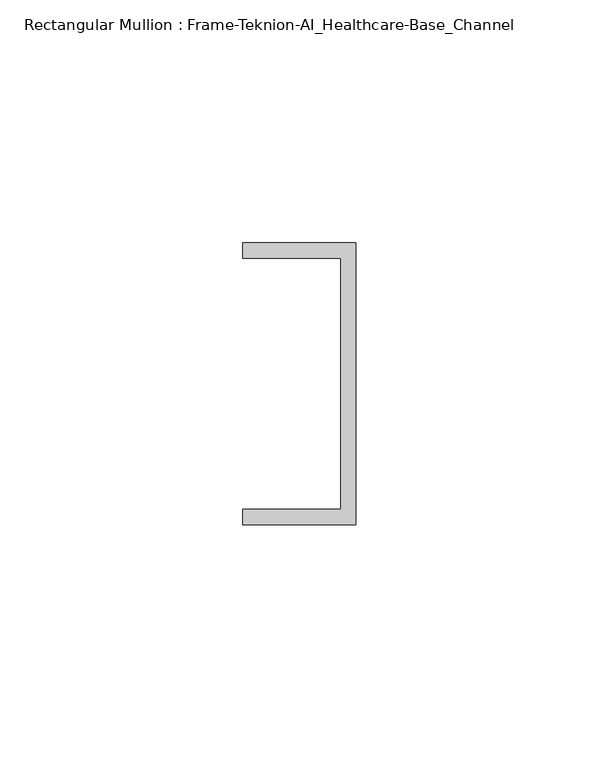
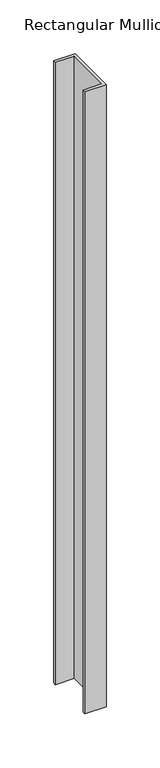
"""IFC4 building model written with IfcOpenShell, lengths in millimetres: member geometry, Rectangular Mullion : Frame-Teknion-AI_Healthcare-Base_Channel."""

from ifc_helpers import new_model, si_unit, frame, origin, place, context, project, spatial, polyline, outline, extrude, source, transform, mapped, element, save


def rectangular_mullion_frame_teknion_ai_healthcare_base_channel_5f56a580(model_context):
    return source(origin(), model_context, "Body", "SweptSolid", [
        extrude(outline(polyline([(0.0, 29.0214844), (0.0, -29.0214844), (-23.3164063, -29.0214844), (-23.3164063, -25.8464844), (-3.175, -25.8464844), (-3.175, 25.8464844), (-23.3164063, 25.8464844), (-23.3164063, 29.0214844), (0.0, 29.0214844)])), frame((0.0, 0.0, -708.9210183), z_axis=(0.0, 0.0, 1.0), x_axis=(1.0, 0.0, 0.0)), (0.0, 0.0, 1.0), 708.9210183),
    ])


if __name__ == "__main__":
    model = new_model("IFC4")
    model_context = context("Model", 3, world=origin())
    ifc_project = project(units=[si_unit("LENGTHUNIT", "METRE", prefix="MILLI")], contexts=[model_context])
    site = spatial("IfcSite", under=ifc_project)
    building = spatial("IfcBuilding", under=site)
    placement = place(None, origin())
    rectangular_mullion_frame_teknion_ai_healthcare_base_channel_shape = rectangular_mullion_frame_teknion_ai_healthcare_base_channel_5f56a580(model_context)
    element("IfcMember", 1, ObjectType="Rectangular Mullion : Frame-Teknion-AI_Healthcare-Base_Channel", at=placement, inside=building, context=model_context, shape_type="MappedRepresentation", body=[
        mapped(rectangular_mullion_frame_teknion_ai_healthcare_base_channel_shape, transform((0.0, 0.0, 0.0), x_axis=(1.0, 0.0, 0.0), y_axis=(0.0, 1.0, 0.0), z_axis=(0.0, 0.0, 1.0))),
    ])
    save(model, "model.ifc")
